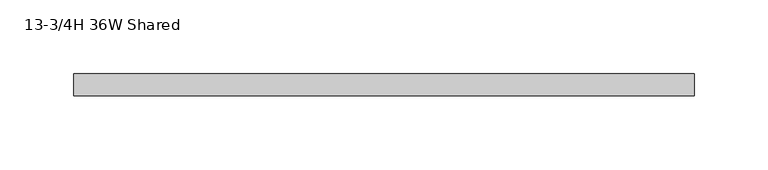
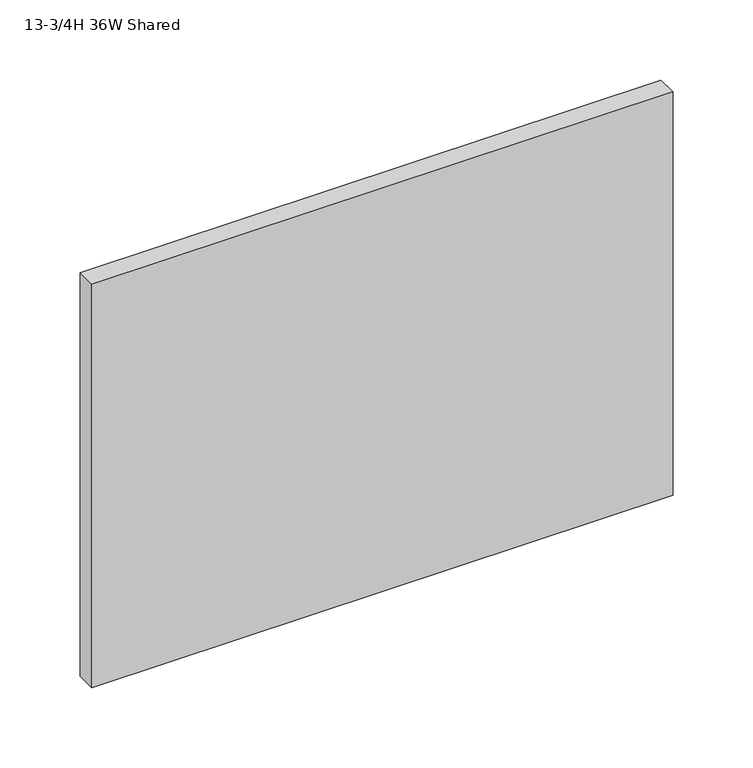
"""IFC4 building model written with IfcOpenShell, lengths in millimetres: furniture geometry, 13-3/4H 36W Shared."""

import ifcopenshell
import ifcopenshell.guid

model = None  # the IFC model being written
_history = None  # IfcOwnerHistory: only IFC2X3 demands one
_inside = {}  # id of a spatial element -> (the spatial element, [elements in it])
_under = {}  # id of a project, library or spatial element -> (it, [spatial elements below it])
_declared = {}  # id of a project -> (the project, [libraries it declares])
_typed = {}  # id of a type object -> (the type object, [elements of that type])
_made_of = {}  # id of a material, layer set ... -> (it, [elements and type objects made of it])


def new_model(schema):
    """Start an empty IFC model of exactly this schema.

    Asked for "IFC4X3", IfcOpenShell would pick the latest addendum, in which some entities
    have other attributes; the version numbers below select the first issue.
    IFC2X3 requires an IfcOwnerHistory on every rooted entity: one is made here for all.
    """
    global model, _history
    if schema == "IFC4X3":
        model = ifcopenshell.file(schema_version=(4, 3, 0, 0))
    else:
        model = ifcopenshell.file(schema=schema)
    _inside.clear()
    _under.clear()
    _declared.clear()
    _typed.clear()
    _made_of.clear()
    _history = None
    if model.schema == "IFC2X3":
        org = make("IfcOrganization", Name="unknown")
        user = make(
            "IfcPersonAndOrganization",
            ThePerson=make("IfcPerson", FamilyName="unknown"),
            TheOrganization=org,
        )
        app = make(
            "IfcApplication",
            ApplicationDeveloper=org,
            Version="unknown",
            ApplicationFullName="unknown",
            ApplicationIdentifier="unknown",
        )
        _history = make(
            "IfcOwnerHistory",
            OwningUser=user,
            OwningApplication=app,
            ChangeAction="ADDED",
            CreationDate=0,
        )
    return model


def make(cls, **values):
    """One entity of the class cls with the attributes given. An attribute that is None is left unset."""
    return model.create_entity(
        cls, **{name: value for name, value in values.items() if value is not None}
    )


def rooted(cls, **values):
    """An entity with a GlobalId (a new one), such as an element, a storey or a relation."""
    return make(cls, GlobalId=ifcopenshell.guid.new(), OwnerHistory=_history, **values)


def si_unit(unit_type, name, prefix=None):
    """IfcSIUnit, for example si_unit("LENGTHUNIT", "METRE", prefix="MILLI")."""
    return make("IfcSIUnit", UnitType=unit_type, Prefix=prefix, Name=name)


def assignment(units):
    """IfcUnitAssignment: the units of a project."""
    return None if units is None else make("IfcUnitAssignment", Units=units)


def point(xyz):
    """IfcCartesianPoint."""
    return None if xyz is None else make("IfcCartesianPoint", Coordinates=xyz)


def direction(xyz):
    """IfcDirection."""
    return None if xyz is None else make("IfcDirection", DirectionRatios=xyz)


def frame(location, z_axis=None, x_axis=None):
    """IfcAxis2Placement3D, a coordinate frame: its origin and axes. An axis left out is left unset."""
    return make(
        "IfcAxis2Placement3D",
        Location=point(location),
        Axis=direction(z_axis),
        RefDirection=direction(x_axis),
    )


def origin():
    """The frame at (0, 0, 0) with its axes left unset."""
    return frame((0.0, 0.0, 0.0))


def place(relative_to, where):
    """IfcLocalPlacement: puts the frame where relative to a parent placement (None: the world)."""
    return make(
        "IfcLocalPlacement", PlacementRelTo=relative_to, RelativePlacement=where
    )


def context(
    kind, dimensions, precision=None, world=None, true_north=None, identifier=None
):
    """IfcGeometricRepresentationContext, for example the 3D "Model" context."""
    return make(
        "IfcGeometricRepresentationContext",
        ContextIdentifier=identifier,
        ContextType=kind,
        CoordinateSpaceDimension=dimensions,
        Precision=precision,
        WorldCoordinateSystem=world,
        TrueNorth=true_north,
    )


def project(units=None, contexts=None):
    """IfcProject with its units and contexts."""
    return rooted(
        "IfcProject",
        Name="project",
        RepresentationContexts=contexts,
        UnitsInContext=assignment(units),
    )


def spatial(cls, under=None, at=None, **own):
    """A site, building, storey or space (cls), placed at a placement, below another one or the project."""
    s = rooted(cls, ObjectPlacement=at, **own)
    if under is not None:
        _under.setdefault(under.id(), (under, []))[1].append(s)
    return s


def polyline(points):
    """IfcPolyline through the points."""
    return make("IfcPolyline", Points=[point(p) for p in points])


def outline(outer, holes=None, kind="AREA"):
    """IfcArbitraryClosedProfileDef: a profile drawn as a closed curve; with holes, ...WithVoids."""
    if holes is None:
        return make("IfcArbitraryClosedProfileDef", ProfileType=kind, OuterCurve=outer)
    return make(
        "IfcArbitraryProfileDefWithVoids",
        ProfileType=kind,
        OuterCurve=outer,
        InnerCurves=holes,
    )


def extrude(swept, where, along, depth):
    """IfcExtrudedAreaSolid: the profile swept, set in the frame where, extruded along a direction by depth."""
    return make(
        "IfcExtrudedAreaSolid",
        SweptArea=swept,
        Position=where,
        ExtrudedDirection=direction(along),
        Depth=depth,
    )


def shape(context_of_items, identifier, shape_type, items):
    """IfcShapeRepresentation: the items that make up one representation, for example the "Body"."""
    return make(
        "IfcShapeRepresentation",
        ContextOfItems=context_of_items,
        RepresentationIdentifier=identifier,
        RepresentationType=shape_type,
        Items=items,
    )


def source(mapping_origin, context_of_items, identifier, shape_type, items):
    """IfcRepresentationMap: a shape defined once, which mapped items show again and again."""
    return make(
        "IfcRepresentationMap",
        MappingOrigin=mapping_origin,
        MappedRepresentation=shape(context_of_items, identifier, shape_type, items),
    )


def transform(
    local_origin,
    x_axis=None,
    y_axis=None,
    z_axis=None,
    scale=None,
    scale2=None,
    scale3=None,
    uniform=True,
):
    """IfcCartesianTransformationOperator3D, or its non-uniform kind. x_axis, y_axis, z_axis: its Axis1, 2, 3."""
    if uniform:
        return make(
            "IfcCartesianTransformationOperator3D",
            Axis1=direction(x_axis),
            Axis2=direction(y_axis),
            LocalOrigin=point(local_origin),
            Scale=scale,
            Axis3=direction(z_axis),
        )
    return make(
        "IfcCartesianTransformationOperator3DnonUniform",
        Axis1=direction(x_axis),
        Axis2=direction(y_axis),
        LocalOrigin=point(local_origin),
        Scale=scale,
        Axis3=direction(z_axis),
        Scale2=scale2,
        Scale3=scale3,
    )


def mapped(mapping_source, mapping_target):
    """IfcMappedItem: shows the shape of a source again, moved by a transform."""
    return make(
        "IfcMappedItem", MappingSource=mapping_source, MappingTarget=mapping_target
    )


def made_of(thing, what):
    """Note that an element or type object is made of a material, layer set ...; save() writes the relation."""
    if what is not None:
        _made_of.setdefault(what.id(), (what, []))[1].append(thing)
    return thing


def element(
    cls,
    number,
    at=None,
    inside=None,
    cuts=None,
    type_object=None,
    material=None,
    context=None,
    identifier="Body",
    shape_type=None,
    held_by="IfcProductDefinitionShape",
    body=None,
    shapes=None,
    **own,
):
    """One element of the class cls, such as IfcWall. Its Tag is "e" and its number.

    at: its placement. inside: the storey or other place that contains it. cuts: it is an
    opening in that element (IfcRelVoidsElement). A single representation is given by context,
    identifier, shape_type and body (its items); several are given by shapes. held_by: the class
    of the entity that holds the representations. save() writes the other relations.
    """
    e = rooted(cls, Tag="e%d" % number, ObjectPlacement=at, **own)
    if body is not None:
        shapes = [shape(context, identifier, shape_type, body)]
    if shapes is not None:
        e.Representation = make(held_by, Representations=shapes)
    if inside is not None:
        _inside.setdefault(inside.id(), (inside, []))[1].append(e)
    if cuts is not None:
        rooted(
            "IfcRelVoidsElement", RelatingBuildingElement=cuts, RelatedOpeningElement=e
        )
    if type_object is not None:
        _typed.setdefault(type_object.id(), (type_object, []))[1].append(e)
    return made_of(e, material)


def aggregate(whole, parts):
    """IfcRelAggregates: a whole, such as a stair, and the parts it consists of."""
    return rooted("IfcRelAggregates", RelatingObject=whole, RelatedObjects=parts)


def save(model, path):
    """Write the relations noted so far, then the file.

    IfcRelAggregates (storeys below a building ...), IfcRelContainedInSpatialStructure (elements
    in a storey), IfcRelDefinesByType, IfcRelAssociatesMaterial and IfcRelDeclares: one each for
    every whole, place, type object, material and project.
    """
    for whole, parts in _under.values():
        aggregate(whole, parts)
    for where, things in _inside.values():
        rooted(
            "IfcRelContainedInSpatialStructure",
            RelatedElements=things,
            RelatingStructure=where,
        )
    for kind, things in _typed.values():
        rooted("IfcRelDefinesByType", RelatedObjects=things, RelatingType=kind)
    for what, things in _made_of.values():
        rooted("IfcRelAssociatesMaterial", RelatedObjects=things, RelatingMaterial=what)
    for by, libraries in _declared.values():
        rooted("IfcRelDeclares", RelatingContext=by, RelatedDefinitions=libraries)
    model.write(path)


def furniture_13_3_4h_36w_shared_b426b7b8(model_context):
    return source(origin(), model_context, "Body", "SweptSolid", [
        extrude(outline(polyline([(419.1, -14.7319996), (0.0, -14.7319996), (0.0, 0.0), (419.1, 0.0), (419.1, -14.7319996)])), frame((0.0, 0.0, 1157.0131799), z_axis=(0.0, 0.0, 1.0), x_axis=(1.0, 0.0, 0.0)), (0.0, 0.0, 1.0), 307.7718001),
    ])


if __name__ == "__main__":
    model = new_model("IFC4")
    model_context = context("Model", 3, world=origin())
    ifc_project = project(units=[si_unit("LENGTHUNIT", "METRE", prefix="MILLI")], contexts=[model_context])
    site = spatial("IfcSite", under=ifc_project)
    building = spatial("IfcBuilding", under=site)
    placement = place(None, origin())
    furniture_13_3_4h_36w_shared_shape = furniture_13_3_4h_36w_shared_b426b7b8(model_context)
    element("IfcFurniture", 1, ObjectType="13-3/4H 36W Shared", at=placement, inside=building, context=model_context, shape_type="MappedRepresentation", body=[
        mapped(furniture_13_3_4h_36w_shared_shape, transform((0.0, 0.0, 0.0), x_axis=(1.0, 0.0, 0.0), y_axis=(0.0, 1.0, 0.0), z_axis=(0.0, 0.0, 1.0))),
    ])
    save(model, "model.ifc")
